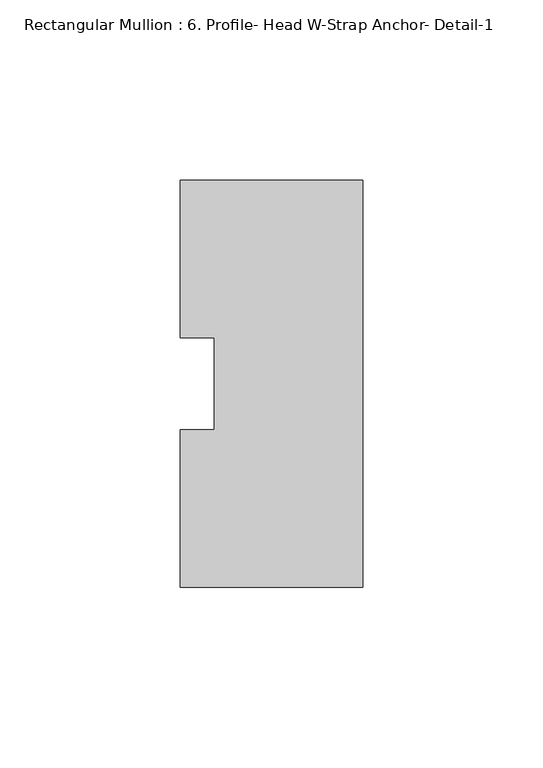
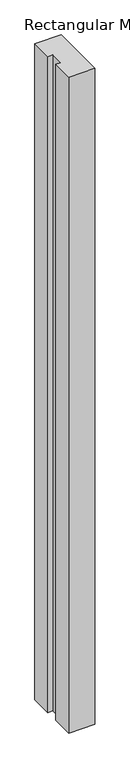
"""IFC4 building model written with IfcOpenShell, lengths in millimetres: member geometry, Rectangular Mullion : 6. Profile- Head W-Strap Anchor- Detail-1."""

from ifc_helpers import new_model, si_unit, frame, origin, place, context, project, spatial, polyline, outline, extrude, source, transform, mapped, element, save


def rectangular_mullion_6_profile_head_w_strap_anchor_detail_1_56dcc38c(model_context):
    return source(origin(), model_context, "Body", "SweptSolid", [
        extrude(outline(polyline([(0.0, 56.55149), (0.0, -56.529183), (-50.8, -56.529183), (-50.8, -12.7438492), (-41.275, -12.7438492), (-41.275, 12.7438492), (-50.8, 12.7438492), (-50.8, 56.55149), (0.0, 56.55149)])), frame((0.0, 0.0, -1339.85), z_axis=(0.0, 0.0, 1.0), x_axis=(1.0, 0.0, 0.0)), (0.0, 0.0, 1.0), 1339.85),
    ])


if __name__ == "__main__":
    model = new_model("IFC4")
    model_context = context("Model", 3, world=origin())
    ifc_project = project(units=[si_unit("LENGTHUNIT", "METRE", prefix="MILLI")], contexts=[model_context])
    site = spatial("IfcSite", under=ifc_project)
    building = spatial("IfcBuilding", under=site)
    placement = place(None, origin())
    rectangular_mullion_6_profile_head_w_strap_anchor_detail_1_shape = rectangular_mullion_6_profile_head_w_strap_anchor_detail_1_56dcc38c(model_context)
    element("IfcMember", 1, ObjectType="Rectangular Mullion : 6. Profile- Head W-Strap Anchor- Detail-1", at=placement, inside=building, context=model_context, shape_type="MappedRepresentation", body=[
        mapped(rectangular_mullion_6_profile_head_w_strap_anchor_detail_1_shape, transform((0.0, 0.0, 0.0), x_axis=(1.0, 0.0, 0.0), y_axis=(0.0, 1.0, 0.0), z_axis=(0.0, 0.0, 1.0))),
    ])
    save(model, "model.ifc")
